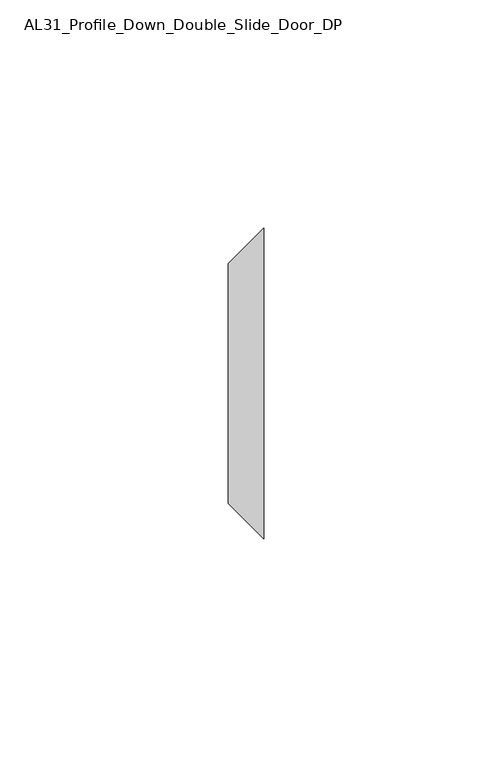
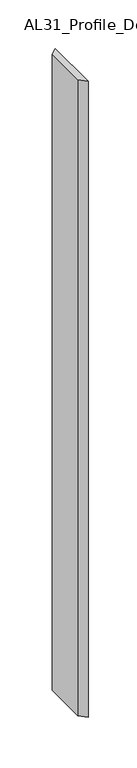
"""IFC4 building model written with IfcOpenShell, lengths in millimetres: member geometry, AL31_Profile_Down_Double_Slide_Door_DP."""

import ifcopenshell
import ifcopenshell.guid

model = None  # the IFC model being written
_history = None  # IfcOwnerHistory: only IFC2X3 demands one
_inside = {}  # id of a spatial element -> (the spatial element, [elements in it])
_under = {}  # id of a project, library or spatial element -> (it, [spatial elements below it])
_declared = {}  # id of a project -> (the project, [libraries it declares])
_typed = {}  # id of a type object -> (the type object, [elements of that type])
_made_of = {}  # id of a material, layer set ... -> (it, [elements and type objects made of it])


def new_model(schema):
    """Start an empty IFC model of exactly this schema.

    Asked for "IFC4X3", IfcOpenShell would pick the latest addendum, in which some entities
    have other attributes; the version numbers below select the first issue.
    IFC2X3 requires an IfcOwnerHistory on every rooted entity: one is made here for all.
    """
    global model, _history
    if schema == "IFC4X3":
        model = ifcopenshell.file(schema_version=(4, 3, 0, 0))
    else:
        model = ifcopenshell.file(schema=schema)
    _inside.clear()
    _under.clear()
    _declared.clear()
    _typed.clear()
    _made_of.clear()
    _history = None
    if model.schema == "IFC2X3":
        org = make("IfcOrganization", Name="unknown")
        user = make(
            "IfcPersonAndOrganization",
            ThePerson=make("IfcPerson", FamilyName="unknown"),
            TheOrganization=org,
        )
        app = make(
            "IfcApplication",
            ApplicationDeveloper=org,
            Version="unknown",
            ApplicationFullName="unknown",
            ApplicationIdentifier="unknown",
        )
        _history = make(
            "IfcOwnerHistory",
            OwningUser=user,
            OwningApplication=app,
            ChangeAction="ADDED",
            CreationDate=0,
        )
    return model


def make(cls, **values):
    """One entity of the class cls with the attributes given. An attribute that is None is left unset."""
    return model.create_entity(
        cls, **{name: value for name, value in values.items() if value is not None}
    )


def rooted(cls, **values):
    """An entity with a GlobalId (a new one), such as an element, a storey or a relation."""
    return make(cls, GlobalId=ifcopenshell.guid.new(), OwnerHistory=_history, **values)


def si_unit(unit_type, name, prefix=None):
    """IfcSIUnit, for example si_unit("LENGTHUNIT", "METRE", prefix="MILLI")."""
    return make("IfcSIUnit", UnitType=unit_type, Prefix=prefix, Name=name)


def assignment(units):
    """IfcUnitAssignment: the units of a project."""
    return None if units is None else make("IfcUnitAssignment", Units=units)


def point(xyz):
    """IfcCartesianPoint."""
    return None if xyz is None else make("IfcCartesianPoint", Coordinates=xyz)


def direction(xyz):
    """IfcDirection."""
    return None if xyz is None else make("IfcDirection", DirectionRatios=xyz)


def frame(location, z_axis=None, x_axis=None):
    """IfcAxis2Placement3D, a coordinate frame: its origin and axes. An axis left out is left unset."""
    return make(
        "IfcAxis2Placement3D",
        Location=point(location),
        Axis=direction(z_axis),
        RefDirection=direction(x_axis),
    )


def origin():
    """The frame at (0, 0, 0) with its axes left unset."""
    return frame((0.0, 0.0, 0.0))


def place(relative_to, where):
    """IfcLocalPlacement: puts the frame where relative to a parent placement (None: the world)."""
    return make(
        "IfcLocalPlacement", PlacementRelTo=relative_to, RelativePlacement=where
    )


def context(
    kind, dimensions, precision=None, world=None, true_north=None, identifier=None
):
    """IfcGeometricRepresentationContext, for example the 3D "Model" context."""
    return make(
        "IfcGeometricRepresentationContext",
        ContextIdentifier=identifier,
        ContextType=kind,
        CoordinateSpaceDimension=dimensions,
        Precision=precision,
        WorldCoordinateSystem=world,
        TrueNorth=true_north,
    )


def project(units=None, contexts=None):
    """IfcProject with its units and contexts."""
    return rooted(
        "IfcProject",
        Name="project",
        RepresentationContexts=contexts,
        UnitsInContext=assignment(units),
    )


def spatial(cls, under=None, at=None, **own):
    """A site, building, storey or space (cls), placed at a placement, below another one or the project."""
    s = rooted(cls, ObjectPlacement=at, **own)
    if under is not None:
        _under.setdefault(under.id(), (under, []))[1].append(s)
    return s


def polyline(points):
    """IfcPolyline through the points."""
    return make("IfcPolyline", Points=[point(p) for p in points])


def outline(outer, holes=None, kind="AREA"):
    """IfcArbitraryClosedProfileDef: a profile drawn as a closed curve; with holes, ...WithVoids."""
    if holes is None:
        return make("IfcArbitraryClosedProfileDef", ProfileType=kind, OuterCurve=outer)
    return make(
        "IfcArbitraryProfileDefWithVoids",
        ProfileType=kind,
        OuterCurve=outer,
        InnerCurves=holes,
    )


def extrude(swept, where, along, depth):
    """IfcExtrudedAreaSolid: the profile swept, set in the frame where, extruded along a direction by depth."""
    return make(
        "IfcExtrudedAreaSolid",
        SweptArea=swept,
        Position=where,
        ExtrudedDirection=direction(along),
        Depth=depth,
    )


def shape(context_of_items, identifier, shape_type, items):
    """IfcShapeRepresentation: the items that make up one representation, for example the "Body"."""
    return make(
        "IfcShapeRepresentation",
        ContextOfItems=context_of_items,
        RepresentationIdentifier=identifier,
        RepresentationType=shape_type,
        Items=items,
    )


def source(mapping_origin, context_of_items, identifier, shape_type, items):
    """IfcRepresentationMap: a shape defined once, which mapped items show again and again."""
    return make(
        "IfcRepresentationMap",
        MappingOrigin=mapping_origin,
        MappedRepresentation=shape(context_of_items, identifier, shape_type, items),
    )


def transform(
    local_origin,
    x_axis=None,
    y_axis=None,
    z_axis=None,
    scale=None,
    scale2=None,
    scale3=None,
    uniform=True,
):
    """IfcCartesianTransformationOperator3D, or its non-uniform kind. x_axis, y_axis, z_axis: its Axis1, 2, 3."""
    if uniform:
        return make(
            "IfcCartesianTransformationOperator3D",
            Axis1=direction(x_axis),
            Axis2=direction(y_axis),
            LocalOrigin=point(local_origin),
            Scale=scale,
            Axis3=direction(z_axis),
        )
    return make(
        "IfcCartesianTransformationOperator3DnonUniform",
        Axis1=direction(x_axis),
        Axis2=direction(y_axis),
        LocalOrigin=point(local_origin),
        Scale=scale,
        Axis3=direction(z_axis),
        Scale2=scale2,
        Scale3=scale3,
    )


def mapped(mapping_source, mapping_target):
    """IfcMappedItem: shows the shape of a source again, moved by a transform."""
    return make(
        "IfcMappedItem", MappingSource=mapping_source, MappingTarget=mapping_target
    )


def made_of(thing, what):
    """Note that an element or type object is made of a material, layer set ...; save() writes the relation."""
    if what is not None:
        _made_of.setdefault(what.id(), (what, []))[1].append(thing)
    return thing


def element(
    cls,
    number,
    at=None,
    inside=None,
    cuts=None,
    type_object=None,
    material=None,
    context=None,
    identifier="Body",
    shape_type=None,
    held_by="IfcProductDefinitionShape",
    body=None,
    shapes=None,
    **own,
):
    """One element of the class cls, such as IfcWall. Its Tag is "e" and its number.

    at: its placement. inside: the storey or other place that contains it. cuts: it is an
    opening in that element (IfcRelVoidsElement). A single representation is given by context,
    identifier, shape_type and body (its items); several are given by shapes. held_by: the class
    of the entity that holds the representations. save() writes the other relations.
    """
    e = rooted(cls, Tag="e%d" % number, ObjectPlacement=at, **own)
    if body is not None:
        shapes = [shape(context, identifier, shape_type, body)]
    if shapes is not None:
        e.Representation = make(held_by, Representations=shapes)
    if inside is not None:
        _inside.setdefault(inside.id(), (inside, []))[1].append(e)
    if cuts is not None:
        rooted(
            "IfcRelVoidsElement", RelatingBuildingElement=cuts, RelatedOpeningElement=e
        )
    if type_object is not None:
        _typed.setdefault(type_object.id(), (type_object, []))[1].append(e)
    return made_of(e, material)


def aggregate(whole, parts):
    """IfcRelAggregates: a whole, such as a stair, and the parts it consists of."""
    return rooted("IfcRelAggregates", RelatingObject=whole, RelatedObjects=parts)


def save(model, path):
    """Write the relations noted so far, then the file.

    IfcRelAggregates (storeys below a building ...), IfcRelContainedInSpatialStructure (elements
    in a storey), IfcRelDefinesByType, IfcRelAssociatesMaterial and IfcRelDeclares: one each for
    every whole, place, type object, material and project.
    """
    for whole, parts in _under.values():
        aggregate(whole, parts)
    for where, things in _inside.values():
        rooted(
            "IfcRelContainedInSpatialStructure",
            RelatedElements=things,
            RelatingStructure=where,
        )
    for kind, things in _typed.values():
        rooted("IfcRelDefinesByType", RelatedObjects=things, RelatingType=kind)
    for what, things in _made_of.values():
        rooted("IfcRelAssociatesMaterial", RelatedObjects=things, RelatingMaterial=what)
    for by, libraries in _declared.values():
        rooted("IfcRelDeclares", RelatingContext=by, RelatedDefinitions=libraries)
    model.write(path)


def al31_profile_down_double_slide_door_dp_8bfde47d(model_context):
    return source(origin(), model_context, "Body", "SweptSolid", [
        extrude(outline(polyline([(-7.7500006, 26.2889081), (0.0, 34.0389087), (0.0, -34.0389087), (-7.7500006, -26.2889081), (-7.7500006, 26.2889081)])), frame((0.0, 0.0, -800.0), z_axis=(0.0, 0.0, 1.0), x_axis=(1.0, 0.0, 0.0)), (0.0, 0.0, 1.0), 800.0),
    ])


if __name__ == "__main__":
    model = new_model("IFC4")
    model_context = context("Model", 3, world=origin())
    ifc_project = project(units=[si_unit("LENGTHUNIT", "METRE", prefix="MILLI")], contexts=[model_context])
    site = spatial("IfcSite", under=ifc_project)
    building = spatial("IfcBuilding", under=site)
    placement = place(None, origin())
    al31_profile_down_double_slide_door_dp_shape = al31_profile_down_double_slide_door_dp_8bfde47d(model_context)
    element("IfcMember", 1, ObjectType="AL31_Profile_Down_Double_Slide_Door_DP", at=placement, inside=building, context=model_context, shape_type="MappedRepresentation", body=[
        mapped(al31_profile_down_double_slide_door_dp_shape, transform((0.0, 0.0, 0.0), x_axis=(1.0, 0.0, 0.0), y_axis=(0.0, 1.0, 0.0), z_axis=(0.0, 0.0, 1.0))),
    ])
    save(model, "model.ifc")
